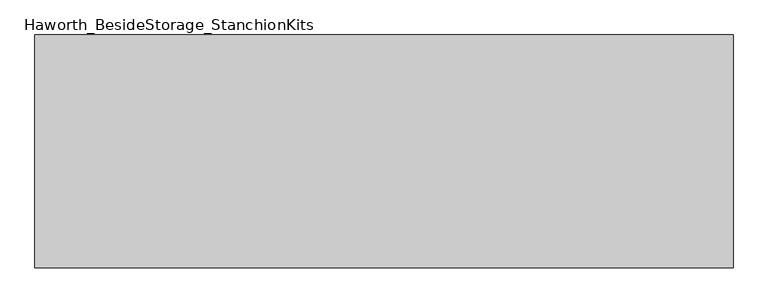
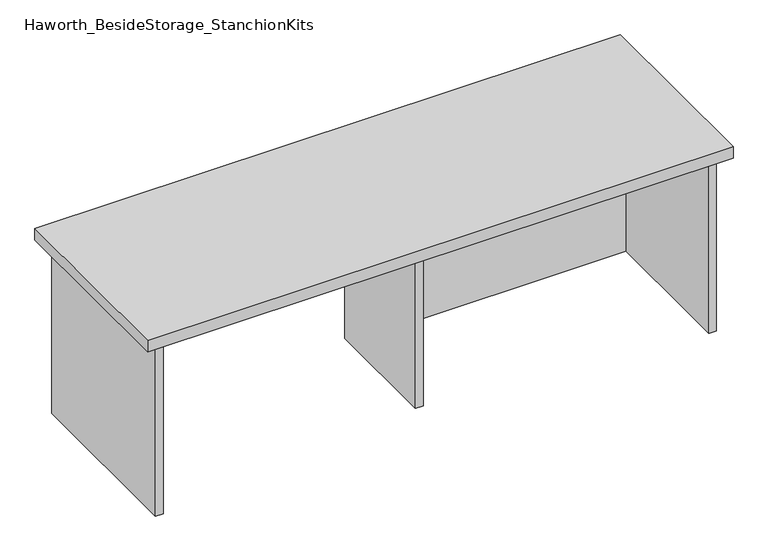
"""IFC4 building model written with IfcOpenShell, lengths in millimetres: furniture geometry, Haworth_BesideStorage_StanchionKits."""

from ifc_helpers import new_model, si_unit, frame, origin, place, context, project, spatial, polyline, outline, extrude, source, transform, mapped, element, save


def haworth_besidestorage_stanchionkits_2df586ef(model_context):
    return source(origin(), model_context, "Body", "SweptSolid", [
        extrude(outline(polyline([(771.525, 0.0), (771.525, -406.4), (-447.675, -406.4), (-447.675, 0.0), (771.525, 0.0)])), frame((0.0, 0.0, 812.8), z_axis=(0.0, 0.0, 1.0), x_axis=(1.0, 0.0, 0.0)), (0.0, 0.0, 1.0), 25.4),
        extrude(outline(polyline([(169.8625, -76.2), (730.25, -76.2), (730.25, -92.075), (169.8625, -92.075), (169.8625, -76.2)])), frame((0.0, 0.0, 431.8), z_axis=(0.0, 0.0, 1.0), x_axis=(1.0, 0.0, 0.0)), (0.0, 0.0, 1.0), 381.0),
        extrude(outline(polyline([(169.8625, -330.2), (153.9875, -330.2), (153.9875, -76.2), (169.8625, -76.2), (169.8625, -330.2)])), frame((0.0, 0.0, 431.8), z_axis=(0.0, 0.0, 1.0), x_axis=(1.0, 0.0, 0.0)), (0.0, 0.0, 1.0), 381.0),
        extrude(outline(polyline([(746.125, -390.525), (730.25, -390.525), (730.25, -15.875), (746.125, -15.875), (746.125, -390.525)])), frame((0.0, 0.0, 431.8), z_axis=(0.0, 0.0, 1.0), x_axis=(1.0, 0.0, 0.0)), (0.0, 0.0, 1.0), 381.0),
        extrude(outline(polyline([(-406.4, -390.525), (-422.275, -390.525), (-422.275, -15.875), (-406.4, -15.875), (-406.4, -390.525)])), frame((0.0, 0.0, 431.8), z_axis=(0.0, 0.0, 1.0), x_axis=(1.0, 0.0, 0.0)), (0.0, 0.0, 1.0), 381.0),
    ])


if __name__ == "__main__":
    model = new_model("IFC4")
    model_context = context("Model", 3, world=origin())
    ifc_project = project(units=[si_unit("LENGTHUNIT", "METRE", prefix="MILLI")], contexts=[model_context])
    site = spatial("IfcSite", under=ifc_project)
    building = spatial("IfcBuilding", under=site)
    placement = place(None, origin())
    haworth_besidestorage_stanchionkits_shape = haworth_besidestorage_stanchionkits_2df586ef(model_context)
    element("IfcFurniture", 1, ObjectType="Haworth_BesideStorage_StanchionKits", at=placement, inside=building, context=model_context, shape_type="MappedRepresentation", body=[
        mapped(haworth_besidestorage_stanchionkits_shape, transform((0.0, 0.0, 0.0), x_axis=(1.0, 0.0, 0.0), y_axis=(0.0, 1.0, 0.0), z_axis=(0.0, 0.0, 1.0))),
    ])
    save(model, "model.ifc")
